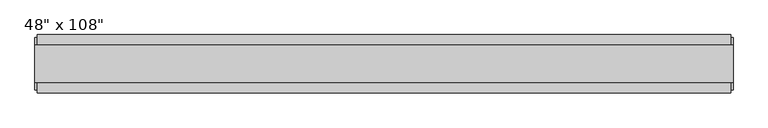
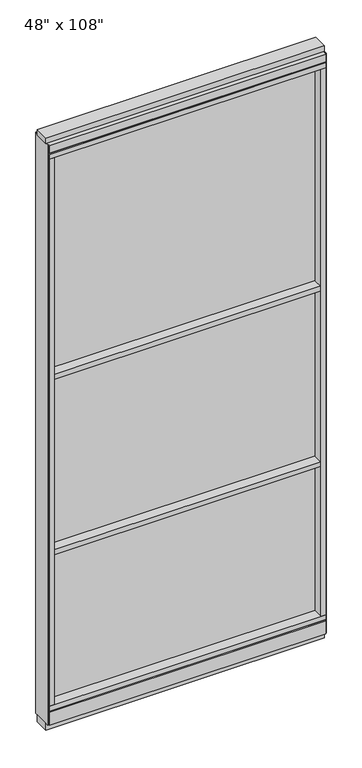
"""IFC4 building model written with IfcOpenShell, lengths in millimetres: furniture geometry."""

from ifc_helpers import new_model, si_unit, frame, origin, origin_with_axes, place, context, project, spatial, polyline, outline, extrude, source, transform, mapped, element, save


def furniture_24ba13df(model_context):
    return source(origin(), model_context, "Body", "SweptSolid", [
        extrude(outline(polyline([(-643.4745229, -52.3332216), (-643.4745229, 43.2977784), (523.4014771, 43.2977784), (523.4014771, -52.3332216), (-643.4745229, -52.3332216)])), frame((0.0, 0.0, 1625.6), z_axis=(0.0, 0.0, 1.0), x_axis=(1.0, 0.0, 0.0)), (0.0, 0.0, 1.0), 22.225),
        extrude(outline(polyline([(-643.4745229, -52.3332216), (-643.4745229, 43.2977784), (523.4014771, 43.2977784), (523.4014771, -52.3332216), (-643.4745229, -52.3332216)])), frame((0.0, 0.0, 812.8), z_axis=(0.0, 0.0, 1.0), x_axis=(1.0, 0.0, 0.0)), (0.0, 0.0, 1.0), 22.225),
        extrude(outline(polyline([(523.4014771, -9.5977216), (-643.4745229, -9.5977216), (-643.4745229, 0.5622784), (523.4014771, 0.5622784), (523.4014771, -9.5977216)])), frame((0.0, 0.0, 120.523), z_axis=(0.0, 0.0, 1.0), x_axis=(1.0, 0.0, 0.0)), (0.0, 0.0, 1.0), 2533.777),
        extrude(outline(polyline([(-55.3177216, 93.345), (-50.3647216, 93.345), (-50.3647216, 98.298), (41.3292784, 98.298), (41.3292784, 93.345), (46.2822784, 93.345), (46.2822784, 31.75), (-55.3177216, 31.75), (-55.3177216, 93.345)])), frame((-665.6995229, 0.0, 0.0), z_axis=(1.0, 0.0, 0.0), x_axis=(0.0, 1.0, 0.0)), (0.0, 0.0, 1.0), 1211.326),
        extrude(outline(polyline([(-665.6995229, -55.3177216), (-665.6995229, 46.2822784), (545.6264771, 46.2822784), (545.6264771, -55.3177216), (-665.6995229, -55.3177216)])), frame((0.0, 0.0, 98.298), z_axis=(0.0, 0.0, 1.0), x_axis=(1.0, 0.0, 0.0)), (0.0, 0.0, 1.0), 22.225),
        extrude(outline(polyline([(549.5634771, 27.9942784), (549.5634771, -37.0297216), (-669.6365229, -37.0297216), (-669.6365229, 27.9942784), (549.5634771, 27.9942784)])), origin_with_axes(), (0.0, 0.0, 1.0), 31.75),
        extrude(outline(polyline([(-669.6365229, -37.0297216), (-669.6365229, 27.9942784), (549.5634771, 27.9942784), (549.5634771, -37.0297216), (-669.6365229, -37.0297216)])), frame((0.0, 0.0, 2717.8), z_axis=(0.0, 0.0, 1.0), x_axis=(1.0, 0.0, 0.0)), (0.0, 0.0, 1.0), 25.4),
        extrude(outline(polyline([(-55.3177216, 2681.478), (-55.3177216, 2717.8), (46.2822784, 2717.8), (46.2822784, 2681.478), (41.3292784, 2681.478), (41.3292784, 2676.525), (-50.3647216, 2676.525), (-50.3647216, 2681.478), (-55.3177216, 2681.478)])), frame((-665.6995229, 0.0, 0.0), z_axis=(1.0, 0.0, 0.0), x_axis=(0.0, 1.0, 0.0)), (0.0, 0.0, 1.0), 1211.326),
        extrude(outline(polyline([(545.6264771, 46.2822784), (545.6264771, -55.3177216), (-665.6995229, -55.3177216), (-665.6995229, 46.2822784), (545.6264771, 46.2822784)])), frame((0.0, 0.0, 2654.3), z_axis=(0.0, 0.0, 1.0), x_axis=(1.0, 0.0, 0.0)), (0.0, 0.0, 1.0), 22.225),
        extrude(outline(polyline([(523.4014771, -55.3177216), (523.4014771, 46.2822784), (545.6264771, 46.2822784), (545.6264771, -55.3177216), (523.4014771, -55.3177216)])), frame((0.0, 0.0, 120.523), z_axis=(0.0, 0.0, 1.0), x_axis=(1.0, 0.0, 0.0)), (0.0, 0.0, 1.0), 2533.777),
        extrude(outline(polyline([(-643.4745229, -55.3177216), (-665.6995229, -55.3177216), (-665.6995229, 46.2822784), (-643.4745229, 46.2822784), (-643.4745229, -55.3177216)])), frame((0.0, 0.0, 120.523), z_axis=(0.0, 0.0, 1.0), x_axis=(1.0, 0.0, 0.0)), (0.0, 0.0, 1.0), 2533.777),
        extrude(outline(polyline([(549.5634771, -50.3647216), (545.6264771, -50.3647216), (545.6264771, 41.3292784), (549.5634771, 41.3292784), (549.5634771, -50.3647216)])), frame((0.0, 0.0, 31.75), z_axis=(0.0, 0.0, 1.0), x_axis=(1.0, 0.0, 0.0)), (0.0, 0.0, 1.0), 2686.05),
        extrude(outline(polyline([(-669.6365229, -50.3647216), (-669.6365229, 41.3292784), (-665.6995229, 41.3292784), (-665.6995229, -50.3647216), (-669.6365229, -50.3647216)])), frame((0.0, 0.0, 31.75), z_axis=(0.0, 0.0, 1.0), x_axis=(1.0, 0.0, 0.0)), (0.0, 0.0, 1.0), 2686.05),
    ])


if __name__ == "__main__":
    model = new_model("IFC4")
    model_context = context("Model", 3, world=origin())
    ifc_project = project(units=[si_unit("LENGTHUNIT", "METRE", prefix="MILLI")], contexts=[model_context])
    site = spatial("IfcSite", under=ifc_project)
    building = spatial("IfcBuilding", under=site)
    placement = place(None, origin())
    furniture_shape = furniture_24ba13df(model_context)
    element("IfcFurniture", 1, ObjectType="48\" x 108\"", at=placement, inside=building, context=model_context, shape_type="MappedRepresentation", body=[
        mapped(furniture_shape, transform((0.0, 0.0, 0.0), x_axis=(1.0, 0.0, 0.0), y_axis=(0.0, 1.0, 0.0), z_axis=(0.0, 0.0, 1.0))),
    ])
    save(model, "model.ifc")
